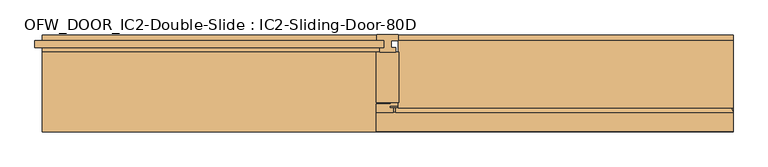
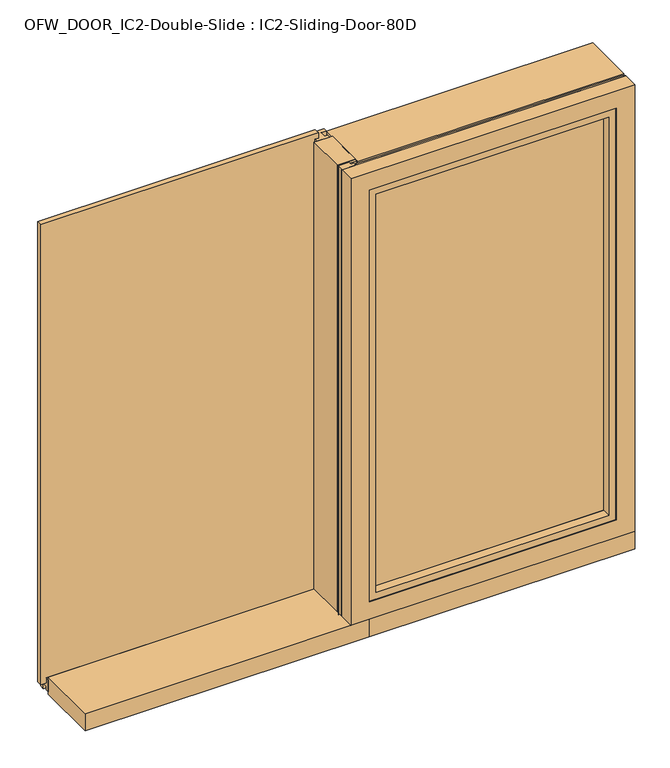
"""IFC4 building model written with IfcOpenShell, lengths in millimetres: door geometry, OFW_DOOR_IC2-Double-Slide : IC2-Sliding-Door-80D."""

from ifc_helpers import new_model, si_unit, point, frame, frame_2d, origin, origin_with_axes, place, context, project, spatial, polyline, circle_curve, trimmed, segment, composite_curve, outline, extrude, faceted_brep, source, transform, mapped, element, save


def ofw_door_ic2_double_slide_ic2_sliding_door_80d_610309bb(model_context):
    return source(origin(), model_context, "Body", "SolidModel", [
        faceted_brep([(38.0, 0.0, 2160.0), (13.0, 0.0, 2160.0), (13.0, 0.0, 27.0), (-1210.0, 0.0, 27.0), (-1210.0, 0.0, 2.0), (38.0, 0.0, 2.0), (13.0, -25.0, 2160.0), (13.0, -25.0, 27.0), (-1210.0, -25.0, 27.0), (-1210.0, -25.0, 12.0), (-1210.0, -40.0, 12.0), (-1210.0, -40.0, 68.0), (-1210.0, -25.0, 68.0), (-1210.0, -25.0, 53.0), (-1210.0, 0.0, 53.0), (-1210.0, 0.0, 78.0), (-1210.0, 20.0, 78.0), (-1210.0, 20.0, 2.0), (38.0, 20.0, 2.0), (38.0, 20.0, 2160.0), (-38.0, 20.0, 2160.0), (-38.0, 20.0, 78.0), (-38.0, 0.0, 78.0), (-38.0, 0.0, 2160.0), (-13.0, 0.0, 2160.0), (-13.0, 0.0, 53.0), (-13.0, -25.0, 53.0), (-13.0, -25.0, 2160.0), (-28.0, -25.0, 2160.0), (-28.0, -25.0, 68.0), (-28.0, -40.0, 68.0), (-28.0, -40.0, 2160.0), (28.0, -40.0, 2160.0), (28.0, -40.0, 12.0), (28.0, -25.0, 12.0), (28.0, -25.0, 2160.0)], [[[0, 1, 2, 3, 4, 5]], [[1, 6, 7, 2]], [[2, 7, 8, 3]], [[3, 8, 9, 10, 11, 12, 13, 14, 15, 16, 17, 4]], [[18, 5, 4, 17]], [[19, 0, 5, 18]], [[20, 19, 18, 17, 16, 21]], [[22, 21, 16, 15]], [[23, 20, 21, 22]], [[24, 23, 22, 15, 14, 25]], [[26, 25, 14, 13]], [[27, 24, 25, 26]], [[28, 27, 26, 13, 12, 29]], [[30, 29, 12, 11]], [[31, 28, 29, 30]], [[32, 31, 30, 11, 10, 33]], [[34, 33, 10, 9]], [[35, 32, 33, 34]], [[6, 35, 34, 9, 8, 7]], [[1, 0, 19, 20, 23, 24, 27, 28, 31, 32, 35, 6]]]),
        extrude(outline(polyline([(-13.0, -25.0), (-1235.0, -25.0), (-1235.0, 0.0), (-13.0, 0.0), (-13.0, -25.0)])), frame((0.0, 0.0, 43.0), z_axis=(0.0, 0.0, 1.0), x_axis=(1.0, 0.0, 0.0)), (0.0, 0.0, 1.0), 2142.0),
        extrude(outline(polyline([(40.0, -40.0), (40.0, -218.0), (-40.0, -218.0), (-40.0, -40.0), (40.0, -40.0)])), frame((0.0, 0.0, 80.0), z_axis=(0.0, 0.0, 1.0), x_axis=(1.0, 0.0, 0.0)), (0.0, 0.0, 1.0), 2080.0),
        extrude(outline(polyline([(1111.0, -252.0), (1111.0, -277.0), (59.0, -277.0), (59.0, -252.0), (1111.0, -252.0)])), frame((0.0, 0.0, 193.0), z_axis=(0.0, 0.0, 1.0), x_axis=(1.0, 0.0, 0.0)), (0.0, 0.0, 1.0), 1873.0),
        extrude(outline(polyline([(-235.9999931, 2120.0), (0.0, 2120.0), (0.0, 44.5415691), (-235.9999931, 66.2425671), (-235.9999931, 2120.0)])), frame((1190.0, 0.0, 0.0), z_axis=(1.0, 0.0, 0.0), x_axis=(0.0, 1.0, 0.0)), (0.0, 0.0, 1.0), 20.0),
        extrude(outline(polyline([(-236.0018977, 2120.0), (0.0, 2120.0), (0.0, 44.6613586), (-236.0018977, 65.954372), (-236.0018977, 2120.0)])), frame((40.0, 0.0, 0.0), z_axis=(1.0, 0.0, 0.0), x_axis=(0.0, 1.0, 0.0)), (0.0, 0.0, 1.0), 20.600008),
        extrude(outline(polyline([(1210.0, 0.0), (1210.0, -235.9999931), (38.0, -235.9999931), (38.0, 0.0), (1210.0, 0.0)])), frame((0.0, 0.0, 2120.0), z_axis=(0.0, 0.0, 1.0), x_axis=(1.0, 0.0, 0.0)), (0.0, 0.0, 1.0), 40.0),
        faceted_brep([(73.0, -235.9999931, 85.9356047), (73.0, -252.0, 80.1120784), (73.0, -252.0, 193.8827413), (73.0, -235.9999931, 188.0592151), (1209.8879216, -252.0, 80.1120784), (1204.0643953, -235.9999931, 85.9356047), (1204.0643953, -235.9999931, 2154.0643953), (1209.8879216, -252.0, 2159.8879216), (1101.9407849, -235.9999931, 188.0592151), (1096.1172587, -252.0, 193.8827413), (1096.1172587, -252.0, 2046.1172587), (1101.9407849, -235.9999931, 2051.9407849), (28.0, -235.9999931, 2154.0643953), (28.0, -235.9999931, 2051.9407849), (28.0, -252.0, 2046.1172587), (28.0, -252.0, 2159.8879216)], [[[0, 1, 2, 3]], [[4, 5, 6, 7]], [[8, 9, 10, 11]], [[12, 13, 14, 15]], [[7, 6, 12, 15]], [[11, 10, 14, 13]], [[1, 0, 5, 4]], [[2, 1, 4, 7, 15, 14, 10, 9]], [[3, 2, 9, 8]], [[0, 3, 8, 11, 13, 12, 6, 5]]]),
        extrude(outline(polyline([(19.9995212, -252.0), (19.9995212, -235.9999931), (73.0, -235.9999931), (73.0, -252.0), (19.9995212, -252.0)])), frame((0.0, 0.0, 47.0), z_axis=(0.0, 0.0, 1.0), x_axis=(1.0, 0.0, 0.0)), (0.0, 0.0, 1.0), 2004.9407849),
        extrude(outline(composite_curve([segment(polyline([(11.0, -222.0), (11.0, -218.0), (40.0, -218.0), (40.0, -227.3250393)]), True, "CONTINUOUS"), segment(trimmed(circle_curve(frame_2d((36.825, -227.3250393)), 3.175), [point((40.0, -227.3250393))], [point((36.825, -230.5000393))], False, "CARTESIAN"), True, "CONTINUOUS"), segment(polyline([(36.825, -230.5000393), (8.4992, -230.5000393), (8.4992, -236.0018977), (19.9995212, -236.0018977), (19.9995212, -252.0), (-36.825, -252.0)]), True, "CONTINUOUS"), segment(trimmed(circle_curve(frame_2d((-36.825, -248.825)), 3.175), [point((-36.825, -252.0))], [point((-40.0, -248.825))], False, "CARTESIAN"), True, "CONTINUOUS"), segment(polyline([(-40.0, -248.825), (-40.0, -225.175)]), True, "CONTINUOUS"), segment(trimmed(circle_curve(frame_2d((-36.825, -225.175)), 3.175), [point((-40.0, -225.175))], [point((-36.825, -222.0))], False, "CARTESIAN"), True, "CONTINUOUS"), segment(polyline([(-36.825, -222.0), (11.0, -222.0)]), True, "CONTINUOUS")], self_intersect=False)), frame((0.0, 0.0, 47.0), z_axis=(0.0, 0.0, 1.0), x_axis=(1.0, 0.0, 0.0)), (0.0, 0.0, 1.0), 2113.0),
        extrude(outline(polyline([(-1210.0, -40.0), (40.0, -40.0), (40.0, -320.0), (-1210.0, -320.0), (-1210.0, -40.0)])), origin_with_axes(), (0.0, 0.0, 1.0), 80.0),
        extrude(outline(polyline([(16.6270404, 0.0), (16.6270404, 40.0), (-277.0, 67.0), (-277.0, 70.0126564), (20.0, 42.7025014), (20.0, 0.0), (16.6270404, 0.0)])), frame((40.0, 0.0, 0.0), z_axis=(1.0, 0.0, 0.0), x_axis=(0.0, 1.0, 0.0)), (0.0, 0.0, 1.0), 1170.0),
        extrude(outline(polyline([(-320.0, 0.0), (-320.0, 80.0), (-277.0, 80.0), (-277.0, 67.0), (16.6270404, 40.0), (16.6270404, 0.0), (-320.0, 0.0)])), frame((40.0, 0.0, 0.0), z_axis=(1.0, 0.0, 0.0), x_axis=(0.0, 1.0, 0.0)), (0.0, 0.0, 1.0), 1170.0),
        faceted_brep([(-40.0, -320.0, 2160.0), (-40.0, -252.0, 2160.0), (-40.0, -252.0, 80.0), (-40.0, -320.0, 80.0), (42.0, -317.0, 2078.0), (42.0, -320.0, 2078.0), (42.0, -320.0, 162.0), (42.0, -317.0, 162.0), (73.0, -279.0, 2047.0), (73.0, -317.0, 2047.0), (73.0, -317.0, 193.0), (73.0, -279.0, 193.0), (54.0, -252.0, 2066.0), (54.0, -279.0, 2066.0), (54.0, -279.0, 174.0), (54.0, -252.0, 174.0), (1210.0, -252.0, 80.0), (1210.0, -320.0, 80.0), (1128.0, -320.0, 162.0), (1128.0, -317.0, 162.0), (1097.0, -317.0, 193.0), (1097.0, -279.0, 193.0), (1116.0, -279.0, 174.0), (1116.0, -252.0, 174.0), (1210.0, -252.0, 2160.0), (1210.0, -320.0, 2160.0), (1128.0, -320.0, 2078.0), (1128.0, -317.0, 2078.0), (1097.0, -317.0, 2047.0), (1097.0, -279.0, 2047.0), (1116.0, -279.0, 2066.0), (1116.0, -252.0, 2066.0)], [[[0, 1, 2, 3]], [[4, 5, 6, 7]], [[8, 9, 10, 11]], [[12, 13, 14, 15]], [[3, 2, 16, 17]], [[7, 6, 18, 19]], [[11, 10, 20, 21]], [[15, 14, 22, 23]], [[17, 16, 24, 25]], [[19, 18, 26, 27]], [[21, 20, 28, 29]], [[23, 22, 30, 31]], [[25, 24, 1, 0]], [[3, 17, 25, 0], [5, 26, 18, 6]], [[27, 26, 5, 4]], [[7, 19, 27, 4], [9, 28, 20, 10]], [[29, 28, 9, 8]], [[13, 30, 22, 14], [11, 21, 29, 8]], [[31, 30, 13, 12]], [[1, 24, 16, 2], [15, 23, 31, 12]]]),
    ])


if __name__ == "__main__":
    model = new_model("IFC4")
    model_context = context("Model", 3, world=origin())
    ifc_project = project(units=[si_unit("LENGTHUNIT", "METRE", prefix="MILLI")], contexts=[model_context])
    site = spatial("IfcSite", under=ifc_project)
    building = spatial("IfcBuilding", under=site)
    placement = place(None, origin())
    ofw_door_ic2_double_slide_ic2_sliding_door_80d_shape = ofw_door_ic2_double_slide_ic2_sliding_door_80d_610309bb(model_context)
    element("IfcDoor", 1, ObjectType="OFW_DOOR_IC2-Double-Slide : IC2-Sliding-Door-80D", at=placement, inside=building, context=model_context, shape_type="MappedRepresentation", body=[
        mapped(ofw_door_ic2_double_slide_ic2_sliding_door_80d_shape, transform((0.0, 0.0, 0.0), x_axis=(1.0, 0.0, 0.0), y_axis=(0.0, 1.0, 0.0), z_axis=(0.0, 0.0, 1.0))),
    ])
    save(model, "model.ifc")
